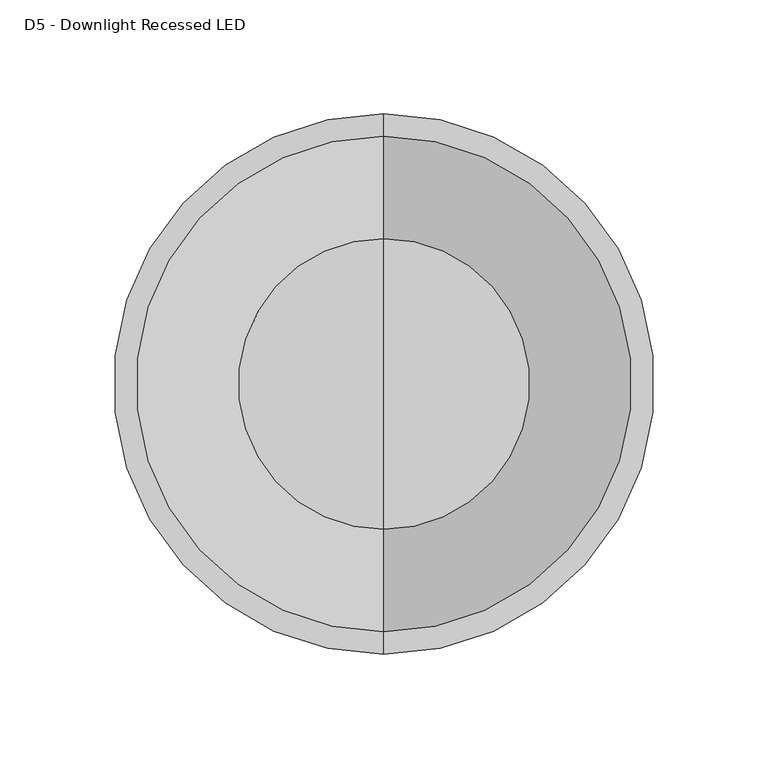
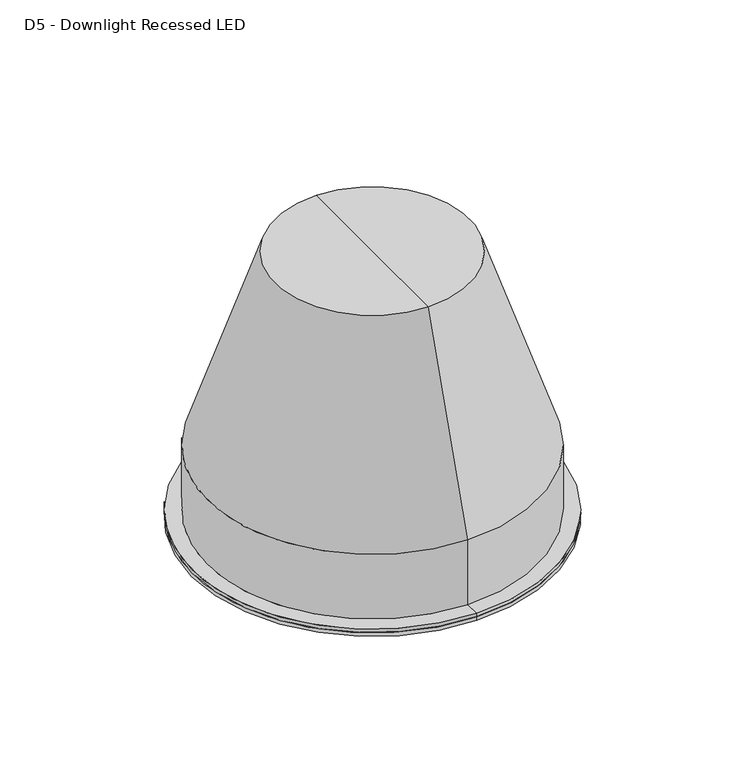
"""IFC4 building model written with IfcOpenShell, lengths in millimetres: light fixture geometry, D5 - Downlight Recessed LED."""

from ifc_helpers import new_model, si_unit, frame, origin, place, context, project, spatial, polyline, circle_curve, source, transform, mapped, element, save
from ifc_brep_helpers import plane_surface, cylinder_surface, revolved_surface, advanced_brep


def d5_downlight_recessed_led_488355e2(model_context):
    return source(origin(), model_context, "Body", "AdvancedBrep", [
        advanced_brep(
        [(0.0, 0.0, -5.0), (0.0, 119.0, -5.0), (0.0, -119.0, -5.0), (0.0, -119.0, -2.5), (0.0, 119.0, -2.5), (0.0, 0.0, -2.5)],
        [
            (0, 1),
            (1, 2, circle_curve(frame((0.0, 0.0, -5.0), z_axis=(0.0, 0.0, -1.0), x_axis=(0.0, 1.0, 0.0)), 119.0)),
            (2, 0),
            (2, 1, circle_curve(frame((0.0, 0.0, -5.0), z_axis=(0.0, 0.0, -1.0), x_axis=(0.0, 1.0, 0.0)), 119.0)),
            (3, 4, circle_curve(frame((0.0, 0.0, -2.5), z_axis=(0.0, 0.0, 1.0), x_axis=(0.0, 1.0, 0.0)), 119.0)),
            (4, 5),
            (5, 3),
            (4, 3, circle_curve(frame((0.0, 0.0, -2.5), z_axis=(0.0, 0.0, 1.0), x_axis=(0.0, 1.0, 0.0)), 119.0)),
            (1, 4),
            (3, 2),
        ],
        [
            plane_surface(frame((0.0, 0.0, -5.0), z_axis=(0.0, 0.0, -1.0), x_axis=(0.0, 1.0, 0.0))),
            plane_surface(frame((0.0, 0.0, -2.5), z_axis=(0.0, 0.0, 1.0), x_axis=(0.0, 1.0, 0.0))),
            cylinder_surface(frame((0.0, 0.0, 577.2817465), z_axis=(0.0, 0.0, -1.0), x_axis=(0.0, 1.0, 0.0)), 119.0),
        ],
        [
            (0, [[1, 2, 3]]),
            (0, [[-3, 4, -1]]),
            (1, [[5, 6, 7]]),
            (1, [[8, -7, -6]]),
            (2, [[-2, 9, -5, 10]]),
            (2, [[-4, -10, -8, -9]]),
        ],
    ),
        advanced_brep(
        [(0.0, 0.0, 180.0), (0.0, -64.0, 180.0), (0.0, 64.0, 180.0), (0.0, 119.0, -2.5), (0.0, -119.0, -2.5), (0.0, -106.5, -2.5), (0.0, 106.5, -2.5), (0.0, 119.0, 0.0), (0.0, -119.0, 0.0), (0.0, 109.0, 0.0), (0.0, -109.0, 0.0), (0.0, 109.0, 45.0), (0.0, -109.0, 45.0), (0.0, 62.0704413, 177.5), (0.0, -62.0704413, 177.5), (0.0, 0.0, 177.5), (0.0, 106.5, 44.6780485), (0.0, -106.5, 44.6780485)],
        [
            (0, 1),
            (1, 2, circle_curve(frame((0.0, 0.0, 180.0), z_axis=(0.0, 0.0, 1.0), x_axis=(0.0, -1.0, 0.0)), 64.0)),
            (2, 0),
            (2, 1, circle_curve(frame((0.0, 0.0, 180.0), z_axis=(0.0, 0.0, 1.0), x_axis=(0.0, -1.0, 0.0)), 64.0)),
            (3, 4, circle_curve(frame((0.0, 0.0, -2.5), z_axis=(0.0, 0.0, -1.0), x_axis=(0.0, -1.0, 0.0)), 119.0)),
            (4, 5),
            (5, 6, circle_curve(frame((0.0, 0.0, -2.5), z_axis=(0.0, 0.0, 1.0), x_axis=(0.0, -1.0, 0.0)), 106.5)),
            (6, 3),
            (4, 3, circle_curve(frame((0.0, 0.0, -2.5), z_axis=(0.0, 0.0, -1.0), x_axis=(0.0, -1.0, 0.0)), 119.0)),
            (6, 5, circle_curve(frame((0.0, 0.0, -2.5), z_axis=(0.0, 0.0, 1.0), x_axis=(0.0, -1.0, 0.0)), 106.5)),
            (7, 8, circle_curve(frame((0.0, 0.0, 0.0), z_axis=(0.0, 0.0, -1.0), x_axis=(0.0, -1.0, 0.0)), 119.0)),
            (8, 4),
            (3, 7),
            (8, 7, circle_curve(frame((0.0, 0.0, 0.0), z_axis=(0.0, 0.0, -1.0), x_axis=(0.0, -1.0, 0.0)), 119.0)),
            (9, 10, circle_curve(frame((0.0, 0.0, 0.0), z_axis=(0.0, 0.0, -1.0), x_axis=(0.0, -1.0, 0.0)), 109.0)),
            (10, 8),
            (7, 9),
            (10, 9, circle_curve(frame((0.0, 0.0, 0.0), z_axis=(0.0, 0.0, -1.0), x_axis=(0.0, -1.0, 0.0)), 109.0)),
            (11, 12, circle_curve(frame((0.0, 0.0, 45.0), z_axis=(0.0, 0.0, -1.0), x_axis=(0.0, -1.0, 0.0)), 109.0)),
            (12, 10),
            (9, 11),
            (12, 11, circle_curve(frame((0.0, 0.0, 45.0), z_axis=(0.0, 0.0, -1.0), x_axis=(0.0, -1.0, 0.0)), 109.0)),
            (1, 12),
            (11, 2),
            (13, 14, circle_curve(frame((0.0, 0.0, 177.5), z_axis=(0.0, 0.0, -1.0), x_axis=(0.0, -1.0, 0.0)), 62.0704413)),
            (14, 15),
            (15, 13),
            (14, 13, circle_curve(frame((0.0, 0.0, 177.5), z_axis=(0.0, 0.0, -1.0), x_axis=(0.0, -1.0, 0.0)), 62.0704413)),
            (16, 17, circle_curve(frame((0.0, 0.0, 44.6780485), z_axis=(0.0, 0.0, -1.0), x_axis=(0.0, -1.0, 0.0)), 106.5)),
            (17, 14),
            (13, 16),
            (17, 16, circle_curve(frame((0.0, 0.0, 44.6780485), z_axis=(0.0, 0.0, -1.0), x_axis=(0.0, -1.0, 0.0)), 106.5)),
            (5, 17),
            (16, 6),
        ],
        [
            plane_surface(frame((0.0, 0.0, 180.0), z_axis=(0.0, 0.0, 1.0), x_axis=(0.0, -1.0, 0.0))),
            plane_surface(frame((0.0, 0.0, -2.5), z_axis=(0.0, 0.0, -1.0), x_axis=(0.0, -1.0, 0.0))),
            cylinder_surface(frame((0.0, 0.0, 499.2817465), z_axis=(0.0, 0.0, 1.0), x_axis=(0.0, -1.0, 0.0)), 119.0),
            plane_surface(frame((0.0, 0.0, 0.0), z_axis=(0.0, 0.0, 1.0), x_axis=(0.0, -1.0, 0.0))),
            cylinder_surface(frame((0.0, 0.0, 499.2817465), z_axis=(0.0, 0.0, 1.0), x_axis=(0.0, -1.0, 0.0)), 109.0),
            revolved_surface(polyline([(0.0, -109.0, 45.0), (0.0, -64.0, 180.0)]), (0.0, 0.0, 499.2817465), (0.0, 0.0, 1.0)),
            plane_surface(frame((0.0, 0.0, 177.5), z_axis=(0.0, 0.0, -1.0), x_axis=(0.0, -1.0, 0.0))),
            revolved_surface(polyline([(0.0, -62.0704413, 177.5), (0.0, -106.5, 44.6780485)]), (0.0, 0.0, 499.2817465), (0.0, 0.0, 1.0)),
            revolved_surface(polyline([(0.0, -106.5, 44.67804849999999), (0.0, -106.5, -2.5)]), (0.0, 0.0, 499.2817465), (0.0, 0.0, 1.0)),
        ],
        [
            (0, [[1, 2, 3]]),
            (0, [[-3, 4, -1]]),
            (1, [[5, 6, 7, 8]]),
            (1, [[9, -8, 10, -6]]),
            (2, [[11, 12, -5, 13]]),
            (2, [[14, -13, -9, -12]]),
            (3, [[15, 16, -11, 17]]),
            (3, [[18, -17, -14, -16]]),
            (4, [[19, 20, -15, 21]]),
            (4, [[22, -21, -18, -20]]),
            (5, [[-2, 23, -19, 24]]),
            (5, [[-4, -24, -22, -23]]),
            (6, [[25, 26, 27]]),
            (6, [[28, -27, -26]]),
            (7, [[29, 30, -25, 31]]),
            (7, [[32, -31, -28, -30]]),
            (8, [[-7, 33, -29, 34]]),
            (8, [[-10, -34, -32, -33]]),
        ],
    ),
    ])


if __name__ == "__main__":
    model = new_model("IFC4")
    model_context = context("Model", 3, world=origin())
    ifc_project = project(units=[si_unit("LENGTHUNIT", "METRE", prefix="MILLI")], contexts=[model_context])
    site = spatial("IfcSite", under=ifc_project)
    building = spatial("IfcBuilding", under=site)
    placement = place(None, origin())
    d5_downlight_recessed_led_shape = d5_downlight_recessed_led_488355e2(model_context)
    element("IfcLightFixture", 1, ObjectType="D5 - Downlight Recessed LED", at=placement, inside=building, context=model_context, shape_type="MappedRepresentation", body=[
        mapped(d5_downlight_recessed_led_shape, transform((0.0, 0.0, 0.0), x_axis=(1.0, 0.0, 0.0), y_axis=(0.0, 1.0, 0.0), z_axis=(0.0, 0.0, 1.0))),
    ])
    save(model, "model.ifc")
